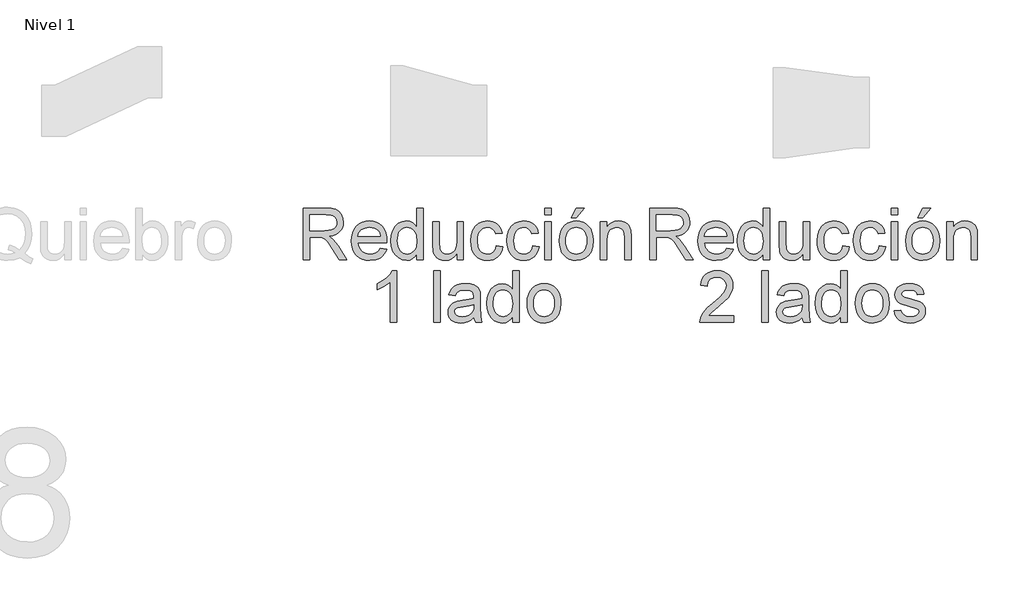
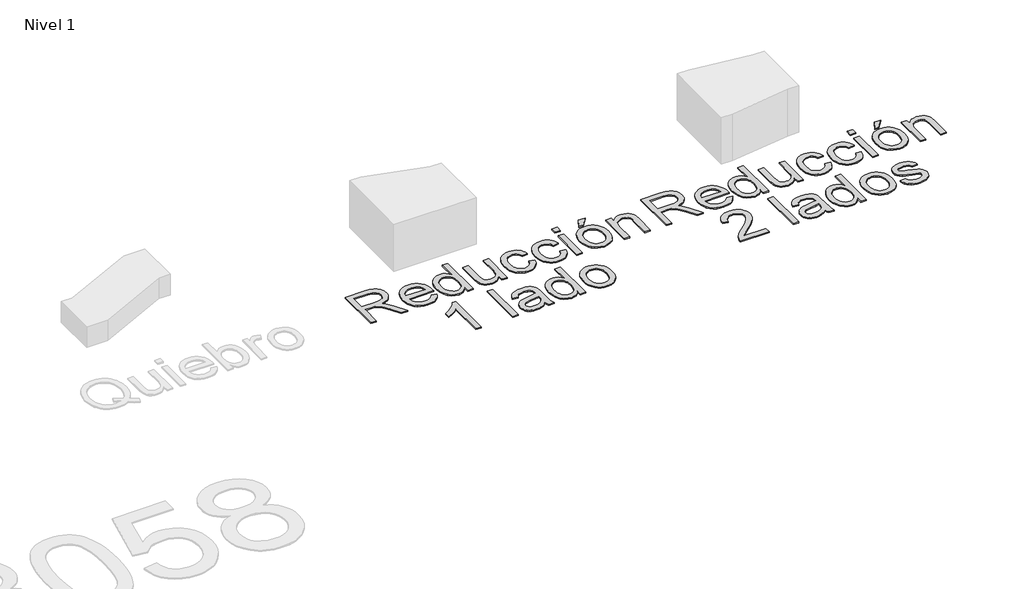
# One storey, part 6 of 7: 2 proxies.
"""IFC4 building model written with IfcOpenShell, lengths in millimetres."""

import ifcopenshell
import ifcopenshell.guid

model = None  # the IFC model being written
_history = None  # IfcOwnerHistory: only IFC2X3 demands one
_inside = {}  # id of a spatial element -> (the spatial element, [elements in it])
_under = {}  # id of a project, library or spatial element -> (it, [spatial elements below it])
_declared = {}  # id of a project -> (the project, [libraries it declares])
_typed = {}  # id of a type object -> (the type object, [elements of that type])
_made_of = {}  # id of a material, layer set ... -> (it, [elements and type objects made of it])


def new_model(schema):
    """Start an empty IFC model of exactly this schema.

    Asked for "IFC4X3", IfcOpenShell would pick the latest addendum, in which some entities
    have other attributes; the version numbers below select the first issue.
    IFC2X3 requires an IfcOwnerHistory on every rooted entity: one is made here for all.
    """
    global model, _history
    if schema == "IFC4X3":
        model = ifcopenshell.file(schema_version=(4, 3, 0, 0))
    else:
        model = ifcopenshell.file(schema=schema)
    _inside.clear()
    _under.clear()
    _declared.clear()
    _typed.clear()
    _made_of.clear()
    _history = None
    if model.schema == "IFC2X3":
        org = make("IfcOrganization", Name="unknown")
        user = make(
            "IfcPersonAndOrganization",
            ThePerson=make("IfcPerson", FamilyName="unknown"),
            TheOrganization=org,
        )
        app = make(
            "IfcApplication",
            ApplicationDeveloper=org,
            Version="unknown",
            ApplicationFullName="unknown",
            ApplicationIdentifier="unknown",
        )
        _history = make(
            "IfcOwnerHistory",
            OwningUser=user,
            OwningApplication=app,
            ChangeAction="ADDED",
            CreationDate=0,
        )
    return model


def make(cls, **values):
    """One entity of the class cls with the attributes given. An attribute that is None is left unset."""
    return model.create_entity(
        cls, **{name: value for name, value in values.items() if value is not None}
    )


def rooted(cls, **values):
    """An entity with a GlobalId (a new one), such as an element, a storey or a relation."""
    return make(cls, GlobalId=ifcopenshell.guid.new(), OwnerHistory=_history, **values)


def si_unit(unit_type, name, prefix=None):
    """IfcSIUnit, for example si_unit("LENGTHUNIT", "METRE", prefix="MILLI")."""
    return make("IfcSIUnit", UnitType=unit_type, Prefix=prefix, Name=name)


def assignment(units):
    """IfcUnitAssignment: the units of a project."""
    return None if units is None else make("IfcUnitAssignment", Units=units)


def point(xyz):
    """IfcCartesianPoint."""
    return None if xyz is None else make("IfcCartesianPoint", Coordinates=xyz)


def direction(xyz):
    """IfcDirection."""
    return None if xyz is None else make("IfcDirection", DirectionRatios=xyz)


def frame(location, z_axis=None, x_axis=None):
    """IfcAxis2Placement3D, a coordinate frame: its origin and axes. An axis left out is left unset."""
    return make(
        "IfcAxis2Placement3D",
        Location=point(location),
        Axis=direction(z_axis),
        RefDirection=direction(x_axis),
    )


def origin():
    """The frame at (0, 0, 0) with its axes left unset."""
    return frame((0.0, 0.0, 0.0))


def origin_with_axes():
    """The frame at (0, 0, 0) with the z axis (0, 0, 1) and the x axis (1, 0, 0) written out."""
    return frame((0.0, 0.0, 0.0), z_axis=(0.0, 0.0, 1.0), x_axis=(1.0, 0.0, 0.0))


def place(relative_to, where):
    """IfcLocalPlacement: puts the frame where relative to a parent placement (None: the world)."""
    return make(
        "IfcLocalPlacement", PlacementRelTo=relative_to, RelativePlacement=where
    )


def context(
    kind, dimensions, precision=None, world=None, true_north=None, identifier=None
):
    """IfcGeometricRepresentationContext, for example the 3D "Model" context."""
    return make(
        "IfcGeometricRepresentationContext",
        ContextIdentifier=identifier,
        ContextType=kind,
        CoordinateSpaceDimension=dimensions,
        Precision=precision,
        WorldCoordinateSystem=world,
        TrueNorth=true_north,
    )


def project(units=None, contexts=None):
    """IfcProject with its units and contexts."""
    return rooted(
        "IfcProject",
        Name="project",
        RepresentationContexts=contexts,
        UnitsInContext=assignment(units),
    )


def spatial(cls, under=None, at=None, **own):
    """A site, building, storey or space (cls), placed at a placement, below another one or the project."""
    s = rooted(cls, ObjectPlacement=at, **own)
    if under is not None:
        _under.setdefault(under.id(), (under, []))[1].append(s)
    return s


def polyline(points):
    """IfcPolyline through the points."""
    return make("IfcPolyline", Points=[point(p) for p in points])


def outline(outer, holes=None, kind="AREA"):
    """IfcArbitraryClosedProfileDef: a profile drawn as a closed curve; with holes, ...WithVoids."""
    if holes is None:
        return make("IfcArbitraryClosedProfileDef", ProfileType=kind, OuterCurve=outer)
    return make(
        "IfcArbitraryProfileDefWithVoids",
        ProfileType=kind,
        OuterCurve=outer,
        InnerCurves=holes,
    )


def extrude(swept, where, along, depth):
    """IfcExtrudedAreaSolid: the profile swept, set in the frame where, extruded along a direction by depth."""
    return make(
        "IfcExtrudedAreaSolid",
        SweptArea=swept,
        Position=where,
        ExtrudedDirection=direction(along),
        Depth=depth,
    )


def shape(context_of_items, identifier, shape_type, items):
    """IfcShapeRepresentation: the items that make up one representation, for example the "Body"."""
    return make(
        "IfcShapeRepresentation",
        ContextOfItems=context_of_items,
        RepresentationIdentifier=identifier,
        RepresentationType=shape_type,
        Items=items,
    )


def made_of(thing, what):
    """Note that an element or type object is made of a material, layer set ...; save() writes the relation."""
    if what is not None:
        _made_of.setdefault(what.id(), (what, []))[1].append(thing)
    return thing


def element(
    cls,
    number,
    at=None,
    inside=None,
    cuts=None,
    type_object=None,
    material=None,
    context=None,
    identifier="Body",
    shape_type=None,
    held_by="IfcProductDefinitionShape",
    body=None,
    shapes=None,
    **own,
):
    """One element of the class cls, such as IfcWall. Its Tag is "e" and its number.

    at: its placement. inside: the storey or other place that contains it. cuts: it is an
    opening in that element (IfcRelVoidsElement). A single representation is given by context,
    identifier, shape_type and body (its items); several are given by shapes. held_by: the class
    of the entity that holds the representations. save() writes the other relations.
    """
    e = rooted(cls, Tag="e%d" % number, ObjectPlacement=at, **own)
    if body is not None:
        shapes = [shape(context, identifier, shape_type, body)]
    if shapes is not None:
        e.Representation = make(held_by, Representations=shapes)
    if inside is not None:
        _inside.setdefault(inside.id(), (inside, []))[1].append(e)
    if cuts is not None:
        rooted(
            "IfcRelVoidsElement", RelatingBuildingElement=cuts, RelatedOpeningElement=e
        )
    if type_object is not None:
        _typed.setdefault(type_object.id(), (type_object, []))[1].append(e)
    return made_of(e, material)


def aggregate(whole, parts):
    """IfcRelAggregates: a whole, such as a stair, and the parts it consists of."""
    return rooted("IfcRelAggregates", RelatingObject=whole, RelatedObjects=parts)


def save(model, path):
    """Write the relations noted so far, then the file.

    IfcRelAggregates (storeys below a building ...), IfcRelContainedInSpatialStructure (elements
    in a storey), IfcRelDefinesByType, IfcRelAssociatesMaterial and IfcRelDeclares: one each for
    every whole, place, type object, material and project.
    """
    for whole, parts in _under.values():
        aggregate(whole, parts)
    for where, things in _inside.values():
        rooted(
            "IfcRelContainedInSpatialStructure",
            RelatedElements=things,
            RelatingStructure=where,
        )
    for kind, things in _typed.values():
        rooted("IfcRelDefinesByType", RelatedObjects=things, RelatingType=kind)
    for what, things in _made_of.values():
        rooted("IfcRelAssociatesMaterial", RelatedObjects=things, RelatingMaterial=what)
    for by, libraries in _declared.values():
        rooted("IfcRelDeclares", RelatingContext=by, RelatedDefinitions=libraries)
    model.write(path)


model = new_model("IFC4")

# Units and contexts
model_context = context("Model", 3, world=origin())
ifc_project = project(units=[si_unit("LENGTHUNIT", "METRE", prefix="MILLI")], contexts=[model_context])

# Site, building, storey
site = spatial("IfcSite", under=ifc_project)
building = spatial("IfcBuilding", under=site)
storey = spatial("IfcBuildingStorey", under=building, Name="Nivel 1", Elevation=0.0)

# Proxies
placement = place(None, origin())
element("IfcBuildingElementProxy", 1, Name="Texto de modelo 1", ObjectType="Texto de modelo 1", at=placement, inside=storey, context=model_context, shape_type="SweptSolid", body=[
    extrude(outline(polyline([(6373.8364183, -1016.3248037), (6373.8364183, -614.4995631), (6546.9862107, -614.4995631), (6593.5232831, -617.2096271), (6627.3806894, -625.3398192), (6652.126885, -640.3494046), (6671.3303251, -663.6976486), (6683.654372, -692.6499616), (6687.7623876, -724.4717542), (6686.0609333, -745.1099341), (6680.9565707, -764.0558569), (6672.4492995, -781.3095224), (6660.5391199, -796.8709308), (6645.0727477, -810.2434414), (6625.8968987, -820.9304133), (6603.0115729, -828.9318467), (6576.4167704, -834.2477415), (6604.9644132, -855.7320501), (6645.6766873, -907.4317331), (6712.6802614, -1016.3248037), (6654.3096515, -1016.3248037), (6602.0213572, -933.03632), (6564.2521391, -877.9030716), (6550.2113096, -861.8266285), (6537.7155845, -851.8570264), (6513.8277802, -842.2920945), (6484.6915262, -840.5262609), (6424.0645734, -840.5262609), (6424.0645734, -1016.3248037), (6373.8364183, -1016.3248037)]), holes=[polyline([(6424.0645734, -790.2981059), (6536.4893111, -790.2981059), (6568.7770876, -788.5200095), (6593.8298515, -783.1857206), (6612.6899351, -773.9396198), (6626.3996708, -760.4260878), (6634.7505921, -744.0798645), (6637.5342325, -726.3356896), (6632.224469, -701.8347488), (6616.2951786, -682.0917483), (6604.133613, -674.4949851), (6588.88797, -669.0687257), (6549.1444518, -664.7277182), (6424.0645734, -664.7277182), (6424.0645734, -790.2981059)])]), origin_with_axes(), (0.0, 0.0, 1.0), 10.0),
    extrude(outline(polyline([(6975.9856681, -928.4255323), (7025.2328045, -934.7040517), (7017.6820265, -954.428658), (7007.4886296, -971.8110823), (6994.6526136, -986.8513245), (6979.1739787, -999.5493847), (6961.2121403, -1009.6354827), (6940.9265139, -1016.8398385), (6893.3838974, -1022.6033231), (6862.218161, -1020.1170539), (6834.4492018, -1012.6582465), (6810.0770196, -1000.2269007), (6789.1016145, -982.8230167), (6772.234225, -960.9309723), (6760.1860897, -935.0351455), (6752.9572085, -905.1355363), (6750.5475814, -871.2321448), (6752.9817339, -836.179122), (6760.2841915, -805.2831658), (6772.4549542, -778.5442761), (6789.494022, -755.962453), (6810.4142448, -738.0220743), (6834.2284726, -725.2075182), (6860.9367054, -717.5187845), (6890.5389433, -714.9558732), (6919.1877537, -717.5126531), (6945.0958432, -725.1829927), (6968.2632118, -737.966892), (6988.6898596, -755.8643511), (7005.3641111, -778.3971233), (7017.2742906, -805.0869621), (7024.4203984, -835.9338674), (7026.8024343, -870.9378392), (7026.5081287, -884.4758966), (6800.7757365, -884.4758966), (6803.6850699, -904.519334), (6809.4700143, -922.0734365), (6818.1305696, -937.1382042), (6829.6667358, -949.7136371), (6843.4408509, -959.6280569), (6858.8152526, -966.7097853), (6894.3649161, -972.375168), (6921.0976744, -969.7509431), (6943.6120525, -961.8782684), (6961.9080504, -948.2666346), (6975.9856681, -928.4255323)]), holes=[polyline([(6800.7757365, -834.2477415), (6976.5742792, -834.2477415), (6969.7807251, -807.711187), (6956.4633968, -788.728476), (6942.7659239, -778.4277801), (6927.17999, -771.0701402), (6909.7055953, -766.6555563), (6890.3427396, -765.1840283), (6856.4853333, -769.8806551), (6828.4895135, -783.9705355), (6809.0285559, -805.9330907), (6800.7757365, -834.2477415)])]), origin_with_axes(), (0.0, 0.0, 1.0), 10.0),
    extrude(outline(polyline([(7259.1076515, -1016.3248037), (7259.1076515, -968.9416027), (7244.079672, -992.4186054), (7225.8756446, -1009.187893), (7204.4955694, -1019.2494656), (7179.9394462, -1022.6033231), (7147.4677287, -1017.7472807), (7117.7428635, -1003.1791537), (7092.5797351, -979.9167489), (7073.7932278, -948.9778731), (7062.0945804, -911.6133251), (7058.1950312, -869.0739038), (7061.7880121, -827.0617799), (7072.5669545, -789.1208835), (7090.5195959, -757.4094555), (7115.6336734, -734.085737), (7146.0084635, -719.7383392), (7179.7432424, -714.9558732), (7204.3177597, -718.3771758), (7226.0473229, -728.6410835), (7244.4659481, -744.3741701), (7259.1076515, -764.2030097), (7259.1076515, -614.4995631), (7309.3358066, -614.4995631), (7309.3358066, -1016.3248037), (7259.1076515, -1016.3248037)]), holes=[polyline([(7108.4231863, -868.8777), (7109.839532, -893.2345538), (7114.088569, -914.3111264), (7121.1702974, -932.1074179), (7131.0847172, -946.6234283), (7155.7818618, -965.9372331), (7169.6571444, -970.7656843), (7184.5502339, -972.375168), (7199.513834, -970.8392607), (7213.3063431, -966.2315387), (7237.3780884, -947.8006507), (7246.8847723, -933.8916456), (7253.6752607, -916.7391476), (7259.1076515, -872.7036728), (7253.5771589, -824.5601823), (7246.6640431, -806.0250612), (7236.9856809, -791.1810226), (7225.2839678, -779.8073376), (7212.300799, -771.6832769), (7198.0361747, -766.8088405), (7182.4900947, -765.1840283), (7167.3026996, -766.7444611), (7153.4274171, -771.4257595), (7140.8642469, -779.2279235), (7129.6131892, -790.1509531), (7120.342563, -804.4339715), (7113.720687, -822.3161022), (7108.4231863, -868.8777)])]), origin_with_axes(), (0.0, 0.0, 1.0), 10.0),
    extrude(outline(polyline([(7573.0336208, -1016.3248037), (7573.0336208, -965.6061393), (7554.8602502, -990.5424072), (7533.6947727, -1008.3540271), (7509.5371884, -1019.0409991), (7482.3874971, -1022.6033231), (7457.9233445, -1020.1017255), (7435.151449, -1012.5969328), (7416.0461107, -1001.3152183), (7402.5816297, -987.4828553), (7393.5194698, -970.6829108), (7387.6210952, -950.498452), (7384.6780392, -903.8019641), (7384.6780392, -721.2343926), (7434.9061943, -721.2343926), (7434.9061943, -880.1594145), (7437.9473521, -931.3685883), (7445.2682038, -948.4505756), (7457.8129799, -961.43681), (7474.7478144, -969.6405785), (7495.2388415, -972.375168), (7516.907091, -969.5792648), (7537.177389, -961.1915554), (7553.8914943, -947.9845917), (7564.8911659, -930.7309262), (7570.9980071, -907.1006393), (7573.0336208, -874.763812), (7573.0336208, -721.2343926), (7623.2617758, -721.2343926), (7623.2617758, -1016.3248037), (7573.0336208, -1016.3248037)])), origin_with_axes(), (0.0, 0.0, 1.0), 10.0),
    extrude(outline(polyline([(7880.6810706, -909.5899742), (7930.9092257, -915.8684935), (7925.446178, -939.5692911), (7916.9051844, -960.5416305), (7905.2862447, -978.7855118), (7890.589359, -994.3009349), (7873.4337953, -1006.6832297), (7854.4388216, -1015.527726), (7833.6044379, -1020.8344238), (7810.9306443, -1022.6033231), (7782.7600805, -1020.135448), (7757.5019159, -1012.7318229), (7735.1561503, -1000.3924476), (7715.722784, -983.1173223), (7699.992763, -961.2314092), (7688.7570337, -935.059671), (7682.0155961, -904.6021074), (7679.7684503, -869.8587187), (7683.6066858, -825.1610563), (7695.1213922, -786.4230822), (7714.4965106, -755.1408499), (7741.915982, -732.8104127), (7774.7187932, -719.4195081), (7810.2439312, -714.9558732), (7832.5283831, -716.4887149), (7852.6852508, -721.0872398), (7870.7145342, -728.7514481), (7886.6162334, -739.4813396), (7900.1205684, -753.0316597), (7910.9577588, -769.1571539), (7919.1278048, -787.857822), (7924.6307063, -809.133664), (7874.4025512, -815.4121834), (7865.2913405, -793.4986792), (7851.1033582, -777.790118), (7832.6234193, -768.3355507), (7810.6363387, -765.1840283), (7793.5696798, -766.7352641), (7778.176884, -771.3889713), (7764.4579513, -779.14515), (7752.4128816, -790.0038003), (7742.6057608, -804.216308), (7735.6006744, -822.0340593), (7731.3976226, -843.4570542), (7729.9966054, -868.4852926), (7735.4780471, -915.5619252), (7742.3298493, -933.4992382), (7751.9223723, -947.7025489), (7763.7283186, -958.4968197), (7777.2203908, -966.2070132), (7792.3985888, -970.8331293), (7809.2629126, -972.375168), (7835.2721697, -968.5246698), (7856.5970626, -956.9731751), (7872.1094201, -937.4263785), (7880.6810706, -909.5899742)])), origin_with_axes(), (0.0, 0.0, 1.0), 10.0),
    extrude(outline(polyline([(8163.2144429, -909.5899742), (8213.442598, -915.8684935), (8207.9795503, -939.5692911), (8199.4385567, -960.5416305), (8187.819617, -978.7855118), (8173.1227313, -994.3009349), (8155.9671676, -1006.6832297), (8136.9721939, -1015.527726), (8116.1378102, -1020.8344238), (8093.4640166, -1022.6033231), (8065.2934528, -1020.135448), (8040.0352882, -1012.7318229), (8017.6895226, -1000.3924476), (7998.2561562, -983.1173223), (7982.5261353, -961.2314092), (7971.290406, -935.059671), (7964.5489684, -904.6021074), (7962.3018226, -869.8587187), (7966.1400581, -825.1610563), (7977.6547645, -786.4230822), (7997.0298829, -755.1408499), (8024.4493543, -732.8104127), (8057.2521655, -719.4195081), (8092.7773035, -714.9558732), (8115.0617554, -716.4887149), (8135.2186231, -721.0872398), (8153.2479065, -728.7514481), (8169.1496057, -739.4813396), (8182.6539406, -753.0316597), (8193.4911311, -769.1571539), (8201.6611771, -787.857822), (8207.1640786, -809.133664), (8156.9359235, -815.4121834), (8147.8247128, -793.4986792), (8133.6367305, -777.790118), (8115.1567916, -768.3355507), (8093.169711, -765.1840283), (8076.1030521, -766.7352641), (8060.7102563, -771.3889713), (8046.9913236, -779.14515), (8034.9462539, -790.0038003), (8025.139133, -804.216308), (8018.1340467, -822.0340593), (8013.9309949, -843.4570542), (8012.5299777, -868.4852926), (8018.0114194, -915.5619252), (8024.8632216, -933.4992382), (8034.4557446, -947.7025489), (8046.2616909, -958.4968197), (8059.7537631, -966.2070132), (8074.9319611, -970.8331293), (8091.7962849, -972.375168), (8117.8055419, -968.5246698), (8139.1304349, -956.9731751), (8154.6427924, -937.4263785), (8163.2144429, -909.5899742)])), origin_with_axes(), (0.0, 0.0, 1.0), 10.0),
    extrude(outline(polyline([(8257.3922337, -664.7277182), (8257.3922337, -614.4995631), (8307.6203887, -614.4995631), (8307.6203887, -664.7277182), (8257.3922337, -664.7277182)])), origin_with_axes(), (0.0, 0.0, 1.0), 10.0),
    extrude(outline(polyline([(8257.3922337, -1016.3248037), (8257.3922337, -721.2343926), (8307.6203887, -721.2343926), (8307.6203887, -1016.3248037), (8257.3922337, -1016.3248037)])), origin_with_axes(), (0.0, 0.0, 1.0), 10.0),
    extrude(outline(polyline([(8370.4055826, -868.7795982), (8373.121778, -830.5627902), (8381.2703642, -797.6312203), (8394.8513411, -769.9848884), (8413.8647089, -747.6237944), (8433.0068354, -733.3315789), (8454.1355247, -723.1228535), (8477.2507767, -716.9976183), (8502.3525915, -714.9558732), (8530.0633028, -717.4421424), (8555.1191323, -724.9009498), (8577.5200802, -737.3322956), (8597.2661463, -754.7361797), (8613.3824433, -776.5239908), (8624.8940841, -802.1071179), (8631.8010686, -831.4855609), (8634.1033967, -864.6593198), (8630.0321693, -915.4025097), (8617.8184871, -954.0301192), (8597.8179693, -982.9579067), (8570.3862351, -1004.6016308), (8537.8041531, -1018.1029), (8502.3525915, -1022.6033231), (8474.23721, -1020.126251), (8448.9483885, -1012.6950347), (8426.4861271, -1000.3096742), (8406.8504256, -982.9701695), (8390.9058068, -960.9708262), (8379.5167933, -934.6059498), (8372.6833853, -903.8755405), (8370.4055826, -868.7795982)]), holes=[polyline([(8420.6337376, -868.6814963), (8422.0868715, -893.0444814), (8426.4462732, -914.1394482), (8433.7119426, -931.9663965), (8443.8838797, -946.5253265), (8456.2569775, -957.8346321), (8470.1261287, -965.9127076), (8485.4913334, -970.7595529), (8502.3525915, -972.375168), (8519.1280105, -970.7503559), (8534.4319015, -965.8759194), (8548.2642645, -957.7518587), (8560.6250995, -946.3781737), (8570.7970367, -931.6751566), (8578.0627061, -913.5630997), (8582.4221078, -892.042003), (8583.8752416, -867.1118665), (8582.4129107, -843.5214335), (8578.0259179, -822.9782898), (8570.7142633, -805.4824352), (8560.4779467, -791.0338698), (8548.0711265, -779.7245642), (8534.2479605, -771.6464887), (8519.0084488, -766.7996434), (8502.3525915, -765.1840283), (8485.4913334, -766.793512), (8470.1261287, -771.6219632), (8456.2569775, -779.6693819), (8443.8838797, -790.935768), (8433.7119426, -805.4517784), (8426.4462732, -823.2480699), (8422.0868715, -844.3246425), (8420.6337376, -868.6814963)])]), origin_with_axes(), (0.0, 0.0, 1.0), 10.0),
    extrude(outline(polyline([(8464.5833733, -689.8417957), (8502.2544896, -614.4995631), (8565.0396835, -614.4995631), (8502.2544896, -689.8417957), (8464.5833733, -689.8417957)])), origin_with_axes(), (0.0, 0.0, 1.0), 10.0),
    extrude(outline(polyline([(8690.6100712, -1016.3248037), (8690.6100712, -721.2343926), (8740.8382262, -721.2343926), (8740.8382262, -762.4371761), (8758.2880956, -741.6641061), (8779.2451065, -726.826199), (8803.7092592, -717.9234547), (8831.6805536, -714.9558732), (8856.4390119, -717.3471062), (8879.1128055, -724.5208051), (8898.0219401, -735.5817904), (8911.4864211, -749.6348827), (8920.6221573, -766.6432936), (8926.5450574, -786.570235), (8929.1938078, -835.1306583), (8929.1938078, -1016.3248037), (8878.9656527, -1016.3248037), (8878.9656527, -841.899687), (8877.5186502, -815.9272182), (8873.1776426, -797.459542), (8865.1700779, -784.2280529), (8852.7234037, -773.9641453), (8836.7695879, -767.3790576), (8818.240598, -765.1840283), (8788.8223012, -770.1136471), (8763.7450118, -784.9025033), (8753.7232931, -796.9751641), (8746.5649226, -813.4746716), (8742.2699003, -834.4010257), (8740.8382262, -859.7542265), (8740.8382262, -1016.3248037), (8690.6100712, -1016.3248037)])), origin_with_axes(), (0.0, 0.0, 1.0), 10.0),
    extrude(outline(polyline([(7102.1446669, -1504.2240751), (7051.9165119, -1504.2240751), (7051.9165119, -1191.0829208), (7030.9472381, -1208.0422808), (7004.3371071, -1224.9771153), (6951.4602017, -1250.3364475), (6951.4602017, -1202.8551446), (6990.9094143, -1181.3953616), (7025.0856517, -1155.8643511), (7052.0268765, -1128.7146599), (7069.7710514, -1102.3988345), (7102.1446669, -1102.3988345), (7102.1446669, -1504.2240751)])), origin_with_axes(), (0.0, 0.0, 1.0), 10.0),
    extrude(outline(polyline([(7390.9565586, -1504.2240751), (7390.9565586, -1102.3988345), (7441.1847137, -1102.3988345), (7441.1847137, -1504.2240751), (7390.9565586, -1504.2240751)])), origin_with_axes(), (0.0, 0.0, 1.0), 10.0),
    extrude(outline(polyline([(7704.8825278, -1466.5529588), (7680.884359, -1487.129825), (7656.1749517, -1500.5943061), (7630.1902201, -1508.0255224), (7602.3660785, -1510.5025945), (7580.0019189, -1509.0126724), (7560.3907429, -1504.5429061), (7543.5325504, -1497.0932957), (7529.4273416, -1486.6638412), (7518.2897142, -1473.91673), (7510.334266, -1459.5141499), (7505.5609972, -1443.4561008), (7503.9699075, -1425.7425828), (7506.3734032, -1404.9204618), (7513.5838903, -1386.0113273), (7524.7061893, -1369.8245195), (7538.8451207, -1357.1693789), (7555.4611241, -1347.604447), (7574.0146394, -1340.6882655), (7617.4737658, -1333.1344219), (7668.8300923, -1325.1881708), (7704.5882222, -1315.8684935), (7704.8825278, -1304.6848809), (7701.4244371, -1282.2686047), (7691.0501648, -1267.6023758), (7667.8490736, -1256.7130687), (7635.524509, -1253.0832997), (7605.6034401, -1255.4990581), (7584.7077427, -1262.7463334), (7570.4584468, -1276.1495008), (7560.476582, -1297.0329354), (7510.2484269, -1290.754416), (7518.9672302, -1263.2858937), (7531.9779901, -1241.7034833), (7550.4947172, -1225.1978445), (7575.7314221, -1212.9596368), (7606.5967215, -1205.3812677), (7641.9992321, -1202.8551446), (7675.9547403, -1205.0869621), (7702.8714396, -1211.7824144), (7723.166263, -1221.8501183), (7737.2561434, -1234.1986906), (7746.6003461, -1249.4657934), (7752.6581363, -1268.2890888), (7755.1106829, -1312.2387245), (7755.1106829, -1374.7296128), (7757.6613314, -1461.991222), (7767.6677217, -1504.2240751), (7717.4395666, -1504.2240751), (7709.3952136, -1486.761943), (7704.8825278, -1466.5529588)]), holes=[polyline([(7704.8825278, -1366.0966486), (7671.1354861, -1374.4598326), (7623.850387, -1381.4986415), (7580.6365153, -1389.6410963), (7569.391589, -1395.2083772), (7561.0651932, -1402.8848481), (7555.9148452, -1412.081898), (7554.1980626, -1422.2109156), (7557.9381962, -1437.1469246), (7569.1585971, -1449.3851323), (7587.6140105, -1457.5521126), (7613.0591818, -1460.2744394), (7640.0371948, -1457.2700698), (7663.8759481, -1448.2569609), (7683.2020156, -1434.9764209), (7696.6419711, -1419.1697578), (7702.6016595, -1402.8848481), (7704.5882222, -1380.3214191), (7704.8825278, -1366.0966486)])]), origin_with_axes(), (0.0, 0.0, 1.0), 10.0),
    extrude(outline(polyline([(8006.2514583, -1504.2240751), (8006.2514583, -1456.8408741), (7991.2234788, -1480.3178768), (7973.0194514, -1497.0871644), (7951.6393761, -1507.1487369), (7927.0832529, -1510.5025945), (7894.6115355, -1505.6465521), (7864.8866703, -1491.0784251), (7839.7235418, -1467.8160203), (7820.9370346, -1436.8771445), (7809.2383871, -1399.5125965), (7805.338838, -1356.9731751), (7808.9318188, -1314.9610513), (7819.7107613, -1277.0201549), (7837.6634026, -1245.3087269), (7862.7774802, -1221.9850084), (7893.1522702, -1207.6376106), (7926.8870492, -1202.8551446), (7951.4615665, -1206.2764472), (7973.1911296, -1216.5403548), (7991.6097549, -1232.2734415), (8006.2514583, -1252.102281), (8006.2514583, -1102.3988345), (8056.4796134, -1102.3988345), (8056.4796134, -1504.2240751), (8006.2514583, -1504.2240751)]), holes=[polyline([(7855.5669931, -1356.7769714), (7856.9833387, -1381.1338252), (7861.2323758, -1402.2103978), (7868.3141042, -1420.0066893), (7878.228524, -1434.5226997), (7902.9256686, -1453.8365045), (7916.8009512, -1458.6649557), (7931.6940406, -1460.2744394), (7946.6576407, -1458.7385321), (7960.4501499, -1454.1308101), (7984.5218951, -1435.6999221), (7994.028579, -1421.790917), (8000.8190675, -1404.638419), (8006.2514583, -1360.6029442), (8000.7209656, -1312.4594537), (7993.8078498, -1293.9243325), (7984.1294876, -1279.080294), (7972.4277745, -1267.706609), (7959.4446058, -1259.5825483), (7945.1799814, -1254.7081118), (7929.6339014, -1253.0832997), (7914.4465064, -1254.6437325), (7900.5712238, -1259.3250309), (7888.0080537, -1267.1271949), (7876.756996, -1278.0502244), (7867.4863697, -1292.3332429), (7860.8644938, -1310.2153736), (7855.5669931, -1356.7769714)])]), origin_with_axes(), (0.0, 0.0, 1.0), 10.0),
    extrude(outline(polyline([(8119.2648072, -1356.6788695), (8121.9810026, -1318.4620616), (8130.1295888, -1285.5304917), (8143.7105658, -1257.8841597), (8162.7239336, -1235.5230658), (8181.86606, -1221.2308503), (8202.9947493, -1211.0221249), (8226.1100013, -1204.8968897), (8251.2118161, -1202.8551446), (8278.9225274, -1205.3414138), (8303.978357, -1212.8002212), (8326.3793048, -1225.231567), (8346.1253709, -1242.635451), (8362.241668, -1264.4232622), (8373.7533087, -1290.0063893), (8380.6602932, -1319.3848323), (8382.9626213, -1352.5585912), (8378.8913939, -1403.3017811), (8366.6777117, -1441.9293906), (8346.6771939, -1470.8571781), (8319.2454598, -1492.5009022), (8286.6633777, -1506.0021714), (8251.2118161, -1510.5025945), (8223.0964347, -1508.0255224), (8197.8076132, -1500.5943061), (8175.3453517, -1488.2089456), (8155.7096502, -1470.8694408), (8139.7650314, -1448.8700975), (8128.3760179, -1422.5052212), (8121.5426099, -1391.7748119), (8119.2648072, -1356.6788695)]), holes=[polyline([(8169.4929623, -1356.5807677), (8170.9460962, -1380.9437528), (8175.3054978, -1402.0387195), (8182.5711672, -1419.8656679), (8192.7431044, -1434.4245979), (8205.1162021, -1445.7339035), (8218.9853534, -1453.811979), (8234.350558, -1458.6588243), (8251.2118161, -1460.2744394), (8267.9872351, -1458.6496272), (8283.2911261, -1453.7751908), (8297.1234891, -1445.6511301), (8309.4843242, -1434.2774451), (8319.6562613, -1419.574428), (8326.9219307, -1401.4623711), (8331.2813324, -1379.9412744), (8332.7344663, -1355.0111378), (8331.2721353, -1331.4207049), (8326.8851425, -1310.8775611), (8319.5734879, -1293.3817066), (8309.3371714, -1278.9331412), (8296.9303511, -1267.6238356), (8283.1071851, -1259.5457601), (8267.8676735, -1254.6989148), (8251.2118161, -1253.0832997), (8234.350558, -1254.6927834), (8218.9853534, -1259.5212346), (8205.1162021, -1267.5686533), (8192.7431044, -1278.8350394), (8182.5711672, -1293.3510498), (8175.3054978, -1311.1473413), (8170.9460962, -1332.2239139), (8169.4929623, -1356.5807677)])]), origin_with_axes(), (0.0, 0.0, 1.0), 10.0),
])
element("IfcBuildingElementProxy", 2, Name="Texto de modelo 1", ObjectType="Texto de modelo 1", at=placement, inside=storey, context=model_context, shape_type="SweptSolid", body=[
    extrude(outline(polyline([(9073.8364183, -1016.3248037), (9073.8364183, -614.4995631), (9246.9862107, -614.4995631), (9293.5232831, -617.2096271), (9327.3806894, -625.3398192), (9352.126885, -640.3494046), (9371.3303251, -663.6976486), (9383.654372, -692.6499616), (9387.7623876, -724.4717542), (9386.0609333, -745.1099341), (9380.9565707, -764.0558569), (9372.4492995, -781.3095224), (9360.5391199, -796.8709308), (9345.0727477, -810.2434414), (9325.8968987, -820.9304133), (9303.0115729, -828.9318467), (9276.4167704, -834.2477415), (9304.9644132, -855.7320501), (9345.6766873, -907.4317331), (9412.6802614, -1016.3248037), (9354.3096515, -1016.3248037), (9302.0213572, -933.03632), (9264.2521391, -877.9030716), (9250.2113096, -861.8266285), (9237.7155845, -851.8570264), (9213.8277802, -842.2920945), (9184.6915262, -840.5262609), (9124.0645734, -840.5262609), (9124.0645734, -1016.3248037), (9073.8364183, -1016.3248037)]), holes=[polyline([(9124.0645734, -790.2981059), (9236.4893111, -790.2981059), (9268.7770876, -788.5200095), (9293.8298515, -783.1857206), (9312.6899351, -773.9396198), (9326.3996708, -760.4260878), (9334.7505921, -744.0798645), (9337.5342325, -726.3356896), (9332.224469, -701.8347488), (9316.2951786, -682.0917483), (9304.133613, -674.4949851), (9288.88797, -669.0687257), (9249.1444518, -664.7277182), (9124.0645734, -664.7277182), (9124.0645734, -790.2981059)])]), origin_with_axes(), (0.0, 0.0, 1.0), 10.0),
    extrude(outline(polyline([(9675.9856681, -928.4255323), (9725.2328045, -934.7040517), (9717.6820265, -954.428658), (9707.4886296, -971.8110823), (9694.6526136, -986.8513245), (9679.1739787, -999.5493847), (9661.2121403, -1009.6354827), (9640.9265139, -1016.8398385), (9593.3838974, -1022.6033231), (9562.218161, -1020.1170539), (9534.4492018, -1012.6582465), (9510.0770196, -1000.2269007), (9489.1016145, -982.8230167), (9472.234225, -960.9309723), (9460.1860897, -935.0351455), (9452.9572085, -905.1355363), (9450.5475814, -871.2321448), (9452.9817339, -836.179122), (9460.2841915, -805.2831658), (9472.4549542, -778.5442761), (9489.494022, -755.962453), (9510.4142448, -738.0220743), (9534.2284726, -725.2075182), (9560.9367054, -717.5187845), (9590.5389433, -714.9558732), (9619.1877537, -717.5126531), (9645.0958432, -725.1829927), (9668.2632118, -737.966892), (9688.6898596, -755.8643511), (9705.3641111, -778.3971233), (9717.2742906, -805.0869621), (9724.4203984, -835.9338674), (9726.8024343, -870.9378392), (9726.5081287, -884.4758966), (9500.7757365, -884.4758966), (9503.6850699, -904.519334), (9509.4700143, -922.0734365), (9518.1305696, -937.1382042), (9529.6667358, -949.7136371), (9543.4408509, -959.6280569), (9558.8152526, -966.7097853), (9594.3649161, -972.375168), (9621.0976744, -969.7509431), (9643.6120525, -961.8782684), (9661.9080504, -948.2666346), (9675.9856681, -928.4255323)]), holes=[polyline([(9500.7757365, -834.2477415), (9676.5742792, -834.2477415), (9669.7807251, -807.711187), (9656.4633968, -788.728476), (9642.7659239, -778.4277801), (9627.17999, -771.0701402), (9609.7055953, -766.6555563), (9590.3427396, -765.1840283), (9556.4853333, -769.8806551), (9528.4895135, -783.9705355), (9509.0285559, -805.9330907), (9500.7757365, -834.2477415)])]), origin_with_axes(), (0.0, 0.0, 1.0), 10.0),
    extrude(outline(polyline([(9959.1076515, -1016.3248037), (9959.1076515, -968.9416027), (9944.079672, -992.4186054), (9925.8756446, -1009.187893), (9904.4955694, -1019.2494656), (9879.9394462, -1022.6033231), (9847.4677287, -1017.7472807), (9817.7428635, -1003.1791537), (9792.5797351, -979.9167489), (9773.7932278, -948.9778731), (9762.0945804, -911.6133251), (9758.1950312, -869.0739038), (9761.7880121, -827.0617799), (9772.5669545, -789.1208835), (9790.5195959, -757.4094555), (9815.6336734, -734.085737), (9846.0084635, -719.7383392), (9879.7432424, -714.9558732), (9904.3177597, -718.3771758), (9926.0473229, -728.6410835), (9944.4659481, -744.3741701), (9959.1076515, -764.2030097), (9959.1076515, -614.4995631), (10009.3358066, -614.4995631), (10009.3358066, -1016.3248037), (9959.1076515, -1016.3248037)]), holes=[polyline([(9808.4231863, -868.8777), (9809.839532, -893.2345538), (9814.088569, -914.3111264), (9821.1702974, -932.1074179), (9831.0847172, -946.6234283), (9855.7818618, -965.9372331), (9869.6571444, -970.7656843), (9884.5502339, -972.375168), (9899.513834, -970.8392607), (9913.3063431, -966.2315387), (9937.3780884, -947.8006507), (9946.8847723, -933.8916456), (9953.6752607, -916.7391476), (9959.1076515, -872.7036728), (9953.5771589, -824.5601823), (9946.6640431, -806.0250612), (9936.9856809, -791.1810226), (9925.2839678, -779.8073376), (9912.300799, -771.6832769), (9898.0361747, -766.8088405), (9882.4900947, -765.1840283), (9867.3026996, -766.7444611), (9853.4274171, -771.4257595), (9840.8642469, -779.2279235), (9829.6131892, -790.1509531), (9820.342563, -804.4339715), (9813.720687, -822.3161022), (9808.4231863, -868.8777)])]), origin_with_axes(), (0.0, 0.0, 1.0), 10.0),
    extrude(outline(polyline([(10273.0336208, -1016.3248037), (10273.0336208, -965.6061393), (10254.8602502, -990.5424072), (10233.6947727, -1008.3540271), (10209.5371884, -1019.0409991), (10182.3874971, -1022.6033231), (10157.9233445, -1020.1017255), (10135.151449, -1012.5969328), (10116.0461107, -1001.3152183), (10102.5816297, -987.4828553), (10093.5194698, -970.6829108), (10087.6210952, -950.498452), (10084.6780392, -903.8019641), (10084.6780392, -721.2343926), (10134.9061943, -721.2343926), (10134.9061943, -880.1594145), (10137.9473521, -931.3685883), (10145.2682038, -948.4505756), (10157.8129799, -961.43681), (10174.7478144, -969.6405785), (10195.2388415, -972.375168), (10216.907091, -969.5792648), (10237.177389, -961.1915554), (10253.8914943, -947.9845917), (10264.8911659, -930.7309262), (10270.9980071, -907.1006393), (10273.0336208, -874.763812), (10273.0336208, -721.2343926), (10323.2617758, -721.2343926), (10323.2617758, -1016.3248037), (10273.0336208, -1016.3248037)])), origin_with_axes(), (0.0, 0.0, 1.0), 10.0),
    extrude(outline(polyline([(10580.6810706, -909.5899742), (10630.9092257, -915.8684935), (10625.446178, -939.5692911), (10616.9051844, -960.5416305), (10605.2862447, -978.7855118), (10590.589359, -994.3009349), (10573.4337953, -1006.6832297), (10554.4388216, -1015.527726), (10533.6044379, -1020.8344238), (10510.9306443, -1022.6033231), (10482.7600805, -1020.135448), (10457.5019159, -1012.7318229), (10435.1561503, -1000.3924476), (10415.722784, -983.1173223), (10399.992763, -961.2314092), (10388.7570337, -935.059671), (10382.0155961, -904.6021074), (10379.7684503, -869.8587187), (10383.6066858, -825.1610563), (10395.1213922, -786.4230822), (10414.4965106, -755.1408499), (10441.915982, -732.8104127), (10474.7187932, -719.4195081), (10510.2439312, -714.9558732), (10532.5283831, -716.4887149), (10552.6852508, -721.0872398), (10570.7145342, -728.7514481), (10586.6162334, -739.4813396), (10600.1205684, -753.0316597), (10610.9577588, -769.1571539), (10619.1278048, -787.857822), (10624.6307063, -809.133664), (10574.4025512, -815.4121834), (10565.2913405, -793.4986792), (10551.1033582, -777.790118), (10532.6234193, -768.3355507), (10510.6363387, -765.1840283), (10493.5696798, -766.7352641), (10478.176884, -771.3889713), (10464.4579513, -779.14515), (10452.4128816, -790.0038003), (10442.6057608, -804.216308), (10435.6006744, -822.0340593), (10431.3976226, -843.4570542), (10429.9966054, -868.4852926), (10435.4780471, -915.5619252), (10442.3298493, -933.4992382), (10451.9223723, -947.7025489), (10463.7283186, -958.4968197), (10477.2203908, -966.2070132), (10492.3985888, -970.8331293), (10509.2629126, -972.375168), (10535.2721697, -968.5246698), (10556.5970626, -956.9731751), (10572.1094201, -937.4263785), (10580.6810706, -909.5899742)])), origin_with_axes(), (0.0, 0.0, 1.0), 10.0),
    extrude(outline(polyline([(10863.2144429, -909.5899742), (10913.442598, -915.8684935), (10907.9795503, -939.5692911), (10899.4385567, -960.5416305), (10887.819617, -978.7855118), (10873.1227313, -994.3009349), (10855.9671676, -1006.6832297), (10836.9721939, -1015.527726), (10816.1378102, -1020.8344238), (10793.4640166, -1022.6033231), (10765.2934528, -1020.135448), (10740.0352882, -1012.7318229), (10717.6895226, -1000.3924476), (10698.2561562, -983.1173223), (10682.5261353, -961.2314092), (10671.290406, -935.059671), (10664.5489684, -904.6021074), (10662.3018226, -869.8587187), (10666.1400581, -825.1610563), (10677.6547645, -786.4230822), (10697.0298829, -755.1408499), (10724.4493543, -732.8104127), (10757.2521655, -719.4195081), (10792.7773035, -714.9558732), (10815.0617554, -716.4887149), (10835.2186231, -721.0872398), (10853.2479065, -728.7514481), (10869.1496057, -739.4813396), (10882.6539406, -753.0316597), (10893.4911311, -769.1571539), (10901.6611771, -787.857822), (10907.1640786, -809.133664), (10856.9359235, -815.4121834), (10847.8247128, -793.4986792), (10833.6367305, -777.790118), (10815.1567916, -768.3355507), (10793.169711, -765.1840283), (10776.1030521, -766.7352641), (10760.7102563, -771.3889713), (10746.9913236, -779.14515), (10734.9462539, -790.0038003), (10725.139133, -804.216308), (10718.1340467, -822.0340593), (10713.9309949, -843.4570542), (10712.5299777, -868.4852926), (10718.0114194, -915.5619252), (10724.8632216, -933.4992382), (10734.4557446, -947.7025489), (10746.2616909, -958.4968197), (10759.7537631, -966.2070132), (10774.9319611, -970.8331293), (10791.7962849, -972.375168), (10817.8055419, -968.5246698), (10839.1304349, -956.9731751), (10854.6427924, -937.4263785), (10863.2144429, -909.5899742)])), origin_with_axes(), (0.0, 0.0, 1.0), 10.0),
    extrude(outline(polyline([(10957.3922337, -664.7277182), (10957.3922337, -614.4995631), (11007.6203887, -614.4995631), (11007.6203887, -664.7277182), (10957.3922337, -664.7277182)])), origin_with_axes(), (0.0, 0.0, 1.0), 10.0),
    extrude(outline(polyline([(10957.3922337, -1016.3248037), (10957.3922337, -721.2343926), (11007.6203887, -721.2343926), (11007.6203887, -1016.3248037), (10957.3922337, -1016.3248037)])), origin_with_axes(), (0.0, 0.0, 1.0), 10.0),
    extrude(outline(polyline([(11070.4055826, -868.7795982), (11073.121778, -830.5627902), (11081.2703642, -797.6312203), (11094.8513411, -769.9848884), (11113.8647089, -747.6237944), (11133.0068354, -733.3315789), (11154.1355247, -723.1228535), (11177.2507767, -716.9976183), (11202.3525915, -714.9558732), (11230.0633028, -717.4421424), (11255.1191323, -724.9009498), (11277.5200802, -737.3322956), (11297.2661463, -754.7361797), (11313.3824433, -776.5239908), (11324.8940841, -802.1071179), (11331.8010686, -831.4855609), (11334.1033967, -864.6593198), (11330.0321693, -915.4025097), (11317.8184871, -954.0301192), (11297.8179693, -982.9579067), (11270.3862351, -1004.6016308), (11237.8041531, -1018.1029), (11202.3525915, -1022.6033231), (11174.23721, -1020.126251), (11148.9483885, -1012.6950347), (11126.4861271, -1000.3096742), (11106.8504256, -982.9701695), (11090.9058068, -960.9708262), (11079.5167933, -934.6059498), (11072.6833853, -903.8755405), (11070.4055826, -868.7795982)]), holes=[polyline([(11120.6337376, -868.6814963), (11122.0868715, -893.0444814), (11126.4462732, -914.1394482), (11133.7119426, -931.9663965), (11143.8838797, -946.5253265), (11156.2569775, -957.8346321), (11170.1261287, -965.9127076), (11185.4913334, -970.7595529), (11202.3525915, -972.375168), (11219.1280105, -970.7503559), (11234.4319015, -965.8759194), (11248.2642645, -957.7518587), (11260.6250995, -946.3781737), (11270.7970367, -931.6751566), (11278.0627061, -913.5630997), (11282.4221078, -892.042003), (11283.8752416, -867.1118665), (11282.4129107, -843.5214335), (11278.0259179, -822.9782898), (11270.7142633, -805.4824352), (11260.4779467, -791.0338698), (11248.0711265, -779.7245642), (11234.2479605, -771.6464887), (11219.0084488, -766.7996434), (11202.3525915, -765.1840283), (11185.4913334, -766.793512), (11170.1261287, -771.6219632), (11156.2569775, -779.6693819), (11143.8838797, -790.935768), (11133.7119426, -805.4517784), (11126.4462732, -823.2480699), (11122.0868715, -844.3246425), (11120.6337376, -868.6814963)])]), origin_with_axes(), (0.0, 0.0, 1.0), 10.0),
    extrude(outline(polyline([(11164.5833733, -689.8417957), (11202.2544896, -614.4995631), (11265.0396835, -614.4995631), (11202.2544896, -689.8417957), (11164.5833733, -689.8417957)])), origin_with_axes(), (0.0, 0.0, 1.0), 10.0),
    extrude(outline(polyline([(11390.6100712, -1016.3248037), (11390.6100712, -721.2343926), (11440.8382262, -721.2343926), (11440.8382262, -762.4371761), (11458.2880956, -741.6641061), (11479.2451065, -726.826199), (11503.7092592, -717.9234547), (11531.6805536, -714.9558732), (11556.4390119, -717.3471062), (11579.1128055, -724.5208051), (11598.0219401, -735.5817904), (11611.4864211, -749.6348827), (11620.6221573, -766.6432936), (11626.5450574, -786.570235), (11629.1938078, -835.1306583), (11629.1938078, -1016.3248037), (11578.9656527, -1016.3248037), (11578.9656527, -841.899687), (11577.5186502, -815.9272182), (11573.1776426, -797.459542), (11565.1700779, -784.2280529), (11552.7234037, -773.9641453), (11536.7695879, -767.3790576), (11518.240598, -765.1840283), (11488.8223012, -770.1136471), (11463.7450118, -784.9025033), (11453.7232931, -796.9751641), (11446.5649226, -813.4746716), (11442.2699003, -834.4010257), (11440.8382262, -859.7542265), (11440.8382262, -1016.3248037), (11390.6100712, -1016.3248037)])), origin_with_axes(), (0.0, 0.0, 1.0), 10.0),
    extrude(outline(polyline([(9729.941694, -1453.99592), (9729.941694, -1504.2240751), (9466.2438799, -1504.2240751), (9467.3475259, -1486.5412138), (9471.6394825, -1469.5941166), (9484.024843, -1442.5302645), (9502.1491626, -1416.2757528), (9528.3668861, -1388.7949677), (9565.0324583, -1358.0522957), (9619.2337389, -1309.9088052), (9651.7545073, -1274.3714045), (9668.0148915, -1245.5294561), (9673.4350196, -1217.4723226), (9668.3214598, -1192.3214568), (9652.9807806, -1171.4134968), (9629.3995447, -1157.3236164), (9599.5643149, -1152.6269896), (9568.2330317, -1157.2132518), (9543.8915063, -1170.9720384), (9528.1829451, -1192.8242289), (9522.7505543, -1221.6907028), (9472.5223993, -1215.4121834), (9476.841947, -1189.4826341), (9484.6992933, -1166.8272346), (9496.0944381, -1147.4459848), (9511.0273814, -1131.3388848), (9529.1547667, -1118.6776128), (9550.1332375, -1109.633847), (9573.9627937, -1104.2075876), (9600.6434354, -1102.3988345), (9627.5632004, -1104.4099227), (9651.5215154, -1110.4431874), (9672.5183802, -1120.4986286), (9690.5537951, -1134.5762463), (9705.0391486, -1151.6337082), (9715.3858297, -1170.6286818), (9721.5938384, -1191.5611674), (9723.6631746, -1214.4311647), (9721.4313572, -1238.453859), (9714.7359049, -1262.0596204), (9702.8533164, -1286.0700519), (9685.0600906, -1311.3067568), (9656.6963888, -1341.4362922), (9613.1023723, -1380.1252154), (9555.3203736, -1428.4403841), (9532.6588427, -1453.99592), (9729.941694, -1453.99592)])), origin_with_axes(), (0.0, 0.0, 1.0), 10.0),
    extrude(outline(polyline([(9949.6898725, -1504.2240751), (9949.6898725, -1102.3988345), (9999.9180275, -1102.3988345), (9999.9180275, -1504.2240751), (9949.6898725, -1504.2240751)])), origin_with_axes(), (0.0, 0.0, 1.0), 10.0),
    extrude(outline(polyline([(10263.6158417, -1466.5529588), (10239.6176729, -1487.129825), (10214.9082655, -1500.5943061), (10188.9235339, -1508.0255224), (10161.0993924, -1510.5025945), (10138.7352327, -1509.0126724), (10119.1240567, -1504.5429061), (10102.2658643, -1497.0932957), (10088.1606554, -1486.6638412), (10077.023028, -1473.91673), (10069.0675799, -1459.5141499), (10064.294311, -1443.4561008), (10062.7032214, -1425.7425828), (10065.1067171, -1404.9204618), (10072.3172042, -1386.0113273), (10083.4395032, -1369.8245195), (10097.5784345, -1357.1693789), (10114.194438, -1347.604447), (10132.7479533, -1340.6882655), (10176.2070796, -1333.1344219), (10227.5634062, -1325.1881708), (10263.3215361, -1315.8684935), (10263.6158417, -1304.6848809), (10260.1577509, -1282.2686047), (10249.7834787, -1267.6023758), (10226.5823875, -1256.7130687), (10194.2578229, -1253.0832997), (10164.3367539, -1255.4990581), (10143.4410566, -1262.7463334), (10129.1917606, -1276.1495008), (10119.2098958, -1297.0329354), (10068.9817408, -1290.754416), (10077.7005441, -1263.2858937), (10090.7113039, -1241.7034833), (10109.228031, -1225.1978445), (10134.4647359, -1212.9596368), (10165.3300353, -1205.3812677), (10200.732546, -1202.8551446), (10234.6880541, -1205.0869621), (10261.6047534, -1211.7824144), (10281.8995768, -1221.8501183), (10295.9894573, -1234.1986906), (10305.3336599, -1249.4657934), (10311.3914501, -1268.2890888), (10313.8439968, -1312.2387245), (10313.8439968, -1374.7296128), (10316.3946453, -1461.991222), (10326.4010355, -1504.2240751), (10276.1728805, -1504.2240751), (10268.1285275, -1486.761943), (10263.6158417, -1466.5529588)]), holes=[polyline([(10263.6158417, -1366.0966486), (10229.8688, -1374.4598326), (10182.5837009, -1381.4986415), (10139.3698292, -1389.6410963), (10128.1249029, -1395.2083772), (10119.798507, -1402.8848481), (10114.6481591, -1412.081898), (10112.9313765, -1422.2109156), (10116.6715101, -1437.1469246), (10127.8919109, -1449.3851323), (10146.3473244, -1457.5521126), (10171.7924957, -1460.2744394), (10198.7705087, -1457.2700698), (10222.609262, -1448.2569609), (10241.9353294, -1434.9764209), (10255.375285, -1419.1697578), (10261.3349733, -1402.8848481), (10263.3215361, -1380.3214191), (10263.6158417, -1366.0966486)])]), origin_with_axes(), (0.0, 0.0, 1.0), 10.0),
    extrude(outline(polyline([(10564.9847721, -1504.2240751), (10564.9847721, -1456.8408741), (10549.9567926, -1480.3178768), (10531.7527652, -1497.0871644), (10510.3726899, -1507.1487369), (10485.8165668, -1510.5025945), (10453.3448493, -1505.6465521), (10423.6199841, -1491.0784251), (10398.4568556, -1467.8160203), (10379.6703484, -1436.8771445), (10367.971701, -1399.5125965), (10364.0721518, -1356.9731751), (10367.6651327, -1314.9610513), (10378.4440751, -1277.0201549), (10396.3967165, -1245.3087269), (10421.510794, -1221.9850084), (10451.8855841, -1207.6376106), (10485.620363, -1202.8551446), (10510.1948803, -1206.2764472), (10531.9244435, -1216.5403548), (10550.3430687, -1232.2734415), (10564.9847721, -1252.102281), (10564.9847721, -1102.3988345), (10615.2129272, -1102.3988345), (10615.2129272, -1504.2240751), (10564.9847721, -1504.2240751)]), holes=[polyline([(10414.3003069, -1356.7769714), (10415.7166526, -1381.1338252), (10419.9656896, -1402.2103978), (10427.047418, -1420.0066893), (10436.9618378, -1434.5226997), (10461.6589824, -1453.8365045), (10475.534265, -1458.6649557), (10490.4273544, -1460.2744394), (10505.3909546, -1458.7385321), (10519.1834637, -1454.1308101), (10543.2552089, -1435.6999221), (10552.7618928, -1421.790917), (10559.5523813, -1404.638419), (10564.9847721, -1360.6029442), (10559.4542795, -1312.4594537), (10552.5411636, -1293.9243325), (10542.8628015, -1279.080294), (10531.1610884, -1267.706609), (10518.1779196, -1259.5825483), (10503.9132952, -1254.7081118), (10488.3672153, -1253.0832997), (10473.1798202, -1254.6437325), (10459.3045376, -1259.3250309), (10446.7413675, -1267.1271949), (10435.4903098, -1278.0502244), (10426.2196835, -1292.3332429), (10419.5978076, -1310.2153736), (10414.3003069, -1356.7769714)])]), origin_with_axes(), (0.0, 0.0, 1.0), 10.0),
    extrude(outline(polyline([(10677.998121, -1356.6788695), (10680.7143164, -1318.4620616), (10688.8629026, -1285.5304917), (10702.4438796, -1257.8841597), (10721.4572474, -1235.5230658), (10740.5993739, -1221.2308503), (10761.7280632, -1211.0221249), (10784.8433152, -1204.8968897), (10809.94513, -1202.8551446), (10837.6558413, -1205.3414138), (10862.7116708, -1212.8002212), (10885.1126186, -1225.231567), (10904.8586847, -1242.635451), (10920.9749818, -1264.4232622), (10932.4866226, -1290.0063893), (10939.393607, -1319.3848323), (10941.6959352, -1352.5585912), (10937.6247078, -1403.3017811), (10925.4110255, -1441.9293906), (10905.4105077, -1470.8571781), (10877.9787736, -1492.5009022), (10845.3966916, -1506.0021714), (10809.94513, -1510.5025945), (10781.8297485, -1508.0255224), (10756.540927, -1500.5943061), (10734.0786655, -1488.2089456), (10714.442964, -1470.8694408), (10698.4983452, -1448.8700975), (10687.1093318, -1422.5052212), (10680.2759237, -1391.7748119), (10677.998121, -1356.6788695)]), holes=[polyline([(10728.2262761, -1356.5807677), (10729.67941, -1380.9437528), (10734.0388116, -1402.0387195), (10741.3044811, -1419.8656679), (10751.4764182, -1434.4245979), (10763.849516, -1445.7339035), (10777.7186672, -1453.811979), (10793.0838719, -1458.6588243), (10809.94513, -1460.2744394), (10826.720549, -1458.6496272), (10842.02444, -1453.7751908), (10855.856803, -1445.6511301), (10868.217638, -1434.2774451), (10878.3895752, -1419.574428), (10885.6552446, -1401.4623711), (10890.0146462, -1379.9412744), (10891.4677801, -1355.0111378), (10890.0054492, -1331.4207049), (10885.6184564, -1310.8775611), (10878.3068017, -1293.3817066), (10868.0704852, -1278.9331412), (10855.6636649, -1267.6238356), (10841.840499, -1259.5457601), (10826.6009873, -1254.6989148), (10809.94513, -1253.0832997), (10793.0838719, -1254.6927834), (10777.7186672, -1259.5212346), (10763.849516, -1267.5686533), (10751.4764182, -1278.8350394), (10741.3044811, -1293.3510498), (10734.0388116, -1311.1473413), (10729.67941, -1332.2239139), (10728.2262761, -1356.5807677)])]), origin_with_axes(), (0.0, 0.0, 1.0), 10.0),
    extrude(outline(polyline([(10979.3670515, -1416.3248037), (11029.5952066, -1410.0462843), (11037.5169322, -1431.5305928), (11052.8453487, -1447.3249932), (11075.6785578, -1457.0370778), (11106.1146616, -1460.2744394), (11136.1828833, -1457.306858), (11157.3238353, -1448.4041137), (11169.8318231, -1435.5037184), (11174.0011524, -1420.5431839), (11169.8072977, -1407.7408905), (11157.2257334, -1397.9797549), (11105.5260504, -1383.6568825), (11029.8895122, -1359.0823652), (11010.7473857, -1346.7337929), (10996.8782345, -1330.3875696), (10988.4537368, -1311.0860276), (10985.6455709, -1289.8714992), (10987.9019138, -1270.4105417), (10994.6709425, -1252.4456376), (11005.3395204, -1236.6880254), (11019.2945107, -1223.8489438), (11051.2266679, -1208.9865112), (11072.1101025, -1204.3879863), (11094.4405396, -1202.8551446), (11127.1329862, -1205.319954), (11155.5580017, -1212.7143821), (11178.4157364, -1224.3149277), (11194.4063404, -1239.3980895), (11205.0013419, -1259.0797762), (11211.6722687, -1284.4758966), (11161.4441136, -1290.754416), (11155.1042806, -1274.9477529), (11142.5595046, -1263.040639), (11123.6871582, -1255.5726345), (11098.3646142, -1253.0832997), (11069.5226658, -1255.4622699), (11050.2947002, -1262.5991806), (11039.4789695, -1272.8998765), (11035.873726, -1284.7702022), (11041.8579397, -1299.3873802), (11060.595396, -1310.4728909), (11103.8583187, -1321.1659943), (11177.5818705, -1344.8085438), (11197.0550908, -1356.1147838), (11211.8194215, -1371.5903531), (11221.126836, -1391.2843026), (11224.2293075, -1415.2456832), (11220.5872757, -1440.0164042), (11209.6611805, -1463.3155972), (11191.8679546, -1483.316115), (11167.6245312, -1498.1908104), (11138.3411243, -1507.4246484), (11105.4279485, -1510.5025945), (11078.3947532, -1509.0188037), (11054.7828605, -1504.5674316), (11034.5922703, -1497.148478), (11017.8229827, -1486.761943), (11004.1255098, -1473.4568775), (10993.1503636, -1457.2823325), (10984.8975442, -1438.2383079), (10979.3670515, -1416.3248037)])), origin_with_axes(), (0.0, 0.0, 1.0), 10.0),
])

save(model, "model.ifc")
